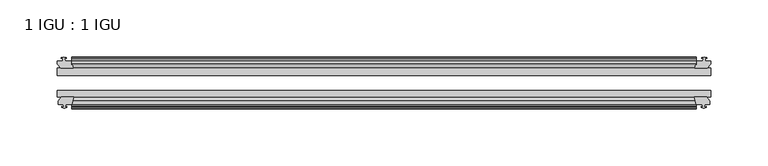
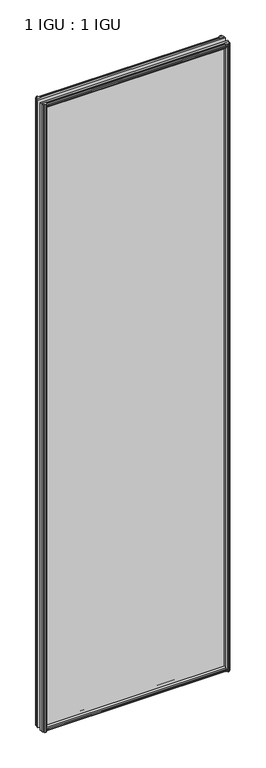
"""IFC4 building model written with IfcOpenShell, lengths in millimetres: plate geometry, 1 IGU : 1 IGU."""

from ifc_helpers import new_model, si_unit, frame, origin, place, context, project, spatial, polyline, outline, extrude, source, transform, mapped, element, save


def plate_1_igu_1_igu_10ee8ad8(model_context):
    return source(origin(), model_context, "Body", "SweptSolid", [
        extrude(outline(polyline([(-25.8960937, 1.1970181), (-19.5460937, -0.5207), (-19.5460937, -5.7277), (-17.1658968, -6.1087), (-17.62583, -4.6931709), (-16.8246158, -4.6931709), (-16.1170937, -6.8707), (-16.8246158, -9.0482291), (-17.62583, -9.0482291), (-17.1658968, -7.6327), (-19.5460937, -8.0137), (-19.5460937, -12.4587), (-22.4924937, -12.4587), (-25.8960937, -9.6243578), (-25.8960937, 1.1970181)])), frame((-273.0499997, 0.0, 0.0), z_axis=(1.0, 0.0, 0.0), x_axis=(0.0, 1.0, 0.0)), (0.0, 0.0, 1.0), 546.0999994),
        extrude(outline(polyline([(-51.2960937, 1.7177181), (-51.2960937, -9.1036578), (-54.6996937, -11.938), (-57.6460937, -11.938), (-57.6460937, -7.493), (-60.0262907, -7.112), (-59.5663575, -8.5275291), (-60.3675717, -8.5275291), (-61.0750937, -6.35), (-60.3675717, -4.1724709), (-59.5663575, -4.1724709), (-60.0262907, -5.588), (-57.6460937, -5.207), (-57.6460937, 0.0), (-51.2960937, 1.7177181)])), frame((-273.0499997, 0.0, 0.0), z_axis=(1.0, 0.0, 0.0), x_axis=(0.0, 1.0, 0.0)), (0.0, 0.0, 1.0), 546.0999994),
        extrude(outline(polyline([(-57.6460937, 2005.838), (-54.6996937, 2005.838), (-51.2960937, 2003.0036578), (-51.2960937, 1992.1822819), (-57.6460937, 1993.9), (-57.6460937, 1999.107), (-60.0262907, 1999.488), (-59.5663575, 1998.072471), (-60.3675717, 1998.072471), (-61.0750937, 2000.25), (-60.3675717, 2002.4275291), (-59.5663575, 2002.4275291), (-60.0262907, 2001.012), (-57.6460937, 2001.393), (-57.6460937, 2005.838)])), frame((-273.0499997, 0.0, 0.0), z_axis=(1.0, 0.0, 0.0), x_axis=(0.0, 1.0, 0.0)), (0.0, 0.0, 1.0), 546.0999994),
        extrude(outline(polyline([(-19.5460937, 2006.3587), (-19.5460937, 2001.9137), (-17.1658968, 2001.5327), (-17.62583, 2002.9482291), (-16.8246158, 2002.9482291), (-16.1170937, 2000.7707), (-16.8246158, 1998.593171), (-17.62583, 1998.593171), (-17.1658968, 2000.0087), (-19.5460937, 1999.6277), (-19.5460937, 1994.4207), (-25.8960937, 1992.7029819), (-25.8960937, 2003.5243578), (-22.4924937, 2006.3587), (-19.5460937, 2006.3587)])), frame((-273.0499997, 0.0, 0.0), z_axis=(1.0, 0.0, 0.0), x_axis=(0.0, 1.0, 0.0)), (0.0, 0.0, 1.0), 546.0999994),
        extrude(outline(polyline([(-279.9206997, -16.1170937), (-277.7431707, -16.8246158), (-277.7431707, -17.62583), (-279.1586997, -17.1658968), (-278.7776997, -19.5460937), (-273.5706997, -19.5460937), (-271.8529816, -25.8960937), (-282.6743575, -25.8960937), (-285.5086997, -22.4924937), (-285.5086997, -19.5460937), (-281.0636997, -19.5460937), (-280.6826997, -17.1658968), (-282.0982288, -17.62583), (-282.0982288, -16.8246158), (-279.9206997, -16.1170937)])), frame((0.0, 0.0, -12.7), z_axis=(0.0, 0.0, 1.0), x_axis=(1.0, 0.0, 0.0)), (0.0, 0.0, 1.0), 2019.3),
        extrude(outline(polyline([(-279.3999997, -61.0750938), (-281.5775288, -60.3675717), (-281.5775288, -59.5663575), (-280.1619997, -60.0262907), (-280.5429997, -57.6460938), (-284.9879997, -57.6460938), (-284.9879997, -54.6996938), (-282.1536575, -51.2960937), (-271.3322816, -51.2960937), (-273.0499997, -57.6460938), (-278.2569997, -57.6460938), (-278.6379997, -60.0262907), (-277.2224707, -59.5663575), (-277.2224707, -60.3675717), (-279.3999997, -61.0750938)])), frame((0.0, 0.0, -12.7), z_axis=(0.0, 0.0, 1.0), x_axis=(1.0, 0.0, 0.0)), (0.0, 0.0, 1.0), 2019.3),
        extrude(outline(polyline([(278.7776997, -19.5460937), (279.1586997, -17.1658968), (277.7431707, -17.62583), (277.7431707, -16.8246158), (279.9206997, -16.1170937), (282.0982288, -16.8246158), (282.0982288, -17.62583), (280.6826997, -17.1658968), (281.0636997, -19.5460937), (285.5086997, -19.5460937), (285.5086997, -22.4924937), (282.6743575, -25.8960937), (271.8529816, -25.8960937), (273.5706997, -19.5460937), (278.7776997, -19.5460937)])), frame((0.0, 0.0, -12.7), z_axis=(0.0, 0.0, 1.0), x_axis=(1.0, 0.0, 0.0)), (0.0, 0.0, 1.0), 2019.3),
        extrude(outline(polyline([(282.1536575, -51.2960937), (284.9879997, -54.6996937), (284.9879997, -57.6460937), (280.5429997, -57.6460937), (280.1619997, -60.0262907), (281.5775288, -59.5663575), (281.5775288, -60.3675717), (279.3999997, -61.0750937), (277.2224707, -60.3675717), (277.2224707, -59.5663575), (278.6379997, -60.0262907), (278.2569997, -57.6460937), (273.0499997, -57.6460937), (271.3322816, -51.2960937), (282.1536575, -51.2960937)])), frame((0.0, 0.0, -12.7), z_axis=(0.0, 0.0, 1.0), x_axis=(1.0, 0.0, 0.0)), (0.0, 0.0, 1.0), 2019.3),
        extrude(outline(polyline([(-285.7499997, -25.8960937), (285.7499997, -25.8960937), (285.7499997, -32.2460937), (-285.7499997, -32.2460937), (-285.7499997, -25.8960937)])), frame((0.0, 0.0, -12.7), z_axis=(0.0, 0.0, 1.0), x_axis=(1.0, 0.0, 0.0)), (0.0, 0.0, 1.0), 2019.3),
        extrude(outline(polyline([(285.7499997, -45.2686737), (285.7499997, -51.2960937), (-285.7499997, -51.2960937), (-285.7499997, -45.2686737), (285.7499997, -45.2686737)])), frame((0.0, 0.0, -12.7), z_axis=(0.0, 0.0, 1.0), x_axis=(1.0, 0.0, 0.0)), (0.0, 0.0, 1.0), 2019.3),
    ])


if __name__ == "__main__":
    model = new_model("IFC4")
    model_context = context("Model", 3, world=origin())
    ifc_project = project(units=[si_unit("LENGTHUNIT", "METRE", prefix="MILLI")], contexts=[model_context])
    site = spatial("IfcSite", under=ifc_project)
    building = spatial("IfcBuilding", under=site)
    placement = place(None, origin())
    plate_1_igu_1_igu_shape = plate_1_igu_1_igu_10ee8ad8(model_context)
    element("IfcPlate", 1, ObjectType="1 IGU : 1 IGU", at=placement, inside=building, context=model_context, shape_type="MappedRepresentation", body=[
        mapped(plate_1_igu_1_igu_shape, transform((0.0, 0.0, 0.0), x_axis=(1.0, 0.0, 0.0), y_axis=(0.0, 1.0, 0.0), z_axis=(0.0, 0.0, 1.0))),
    ])
    save(model, "model.ifc")
